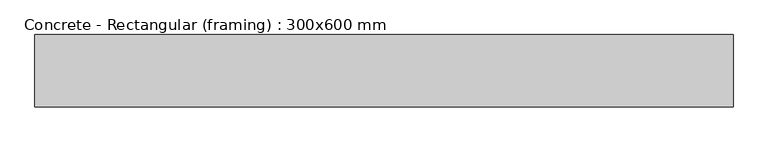
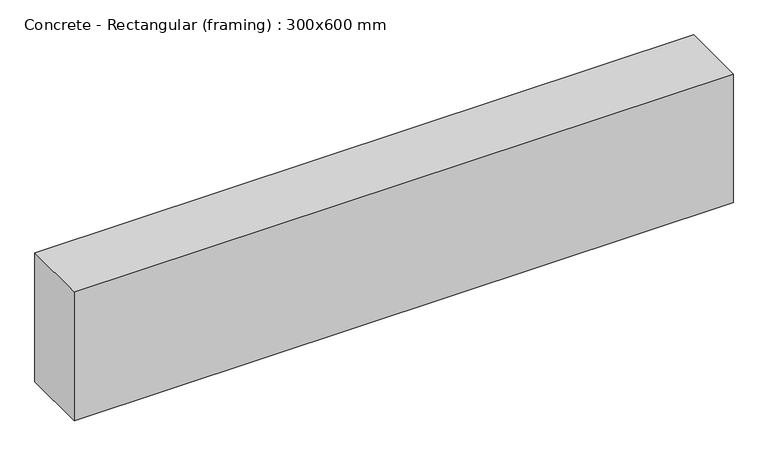
"""IFC4 building model written with IfcOpenShell, lengths in millimetres: beam geometry, Concrete - Rectangular (framing) : 300x600 mm."""

from ifc_helpers import new_model, si_unit, frame, origin, place, context, project, spatial, polyline, outline, extrude, source, transform, mapped, element, save


def concrete_rectangular_framing_300x600_mm_e02c34aa(model_context):
    return source(origin(), model_context, "Body", "SweptSolid", [
        extrude(outline(polyline([(1450.0, 150.0), (1450.0, -150.0), (-1450.0, -150.0), (-1450.0, 150.0), (1450.0, 150.0)])), frame((0.0, 0.0, -300.0), z_axis=(0.0, 0.0, 1.0), x_axis=(1.0, 0.0, 0.0)), (0.0, 0.0, 1.0), 600.0),
    ])


if __name__ == "__main__":
    model = new_model("IFC4")
    model_context = context("Model", 3, world=origin())
    ifc_project = project(units=[si_unit("LENGTHUNIT", "METRE", prefix="MILLI")], contexts=[model_context])
    site = spatial("IfcSite", under=ifc_project)
    building = spatial("IfcBuilding", under=site)
    placement = place(None, origin())
    concrete_rectangular_framing_300x600_mm_shape = concrete_rectangular_framing_300x600_mm_e02c34aa(model_context)
    element("IfcBeam", 1, ObjectType="Concrete - Rectangular (framing) : 300x600 mm", at=placement, inside=building, context=model_context, shape_type="MappedRepresentation", body=[
        mapped(concrete_rectangular_framing_300x600_mm_shape, transform((0.0, 0.0, 0.0), x_axis=(1.0, 0.0, 0.0), y_axis=(0.0, 1.0, 0.0), z_axis=(0.0, 0.0, 1.0))),
    ])
    save(model, "model.ifc")
